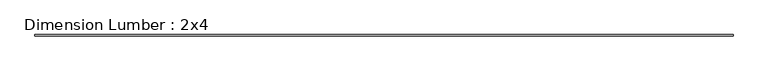
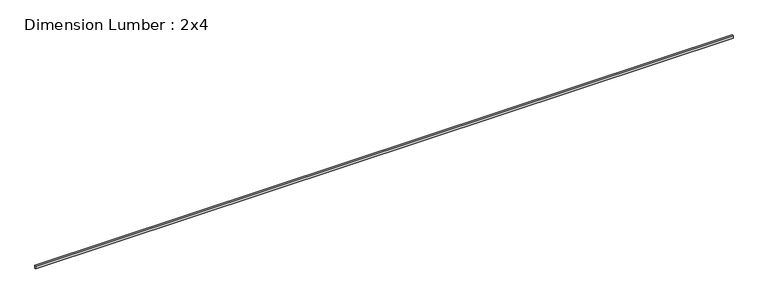
"""IFC4 building model written with IfcOpenShell, lengths in millimetres: beam geometry, Dimension Lumber : 2x4."""

from ifc_helpers import new_model, si_unit, frame, origin, place, context, project, spatial, polyline, outline, extrude, source, transform, mapped, element, save


def dimension_lumber_2x4_053a60d9(model_context):
    return source(origin(), model_context, "Body", "SweptSolid", [
        extrude(outline(polyline([(10988.0413474, 19.05), (10988.0413474, -19.05), (-10988.0413474, -19.05), (-10988.0413474, 19.05), (10988.0413474, 19.05)])), frame((0.0, 0.0, -44.45), z_axis=(0.0, 0.0, 1.0), x_axis=(1.0, 0.0, 0.0)), (0.0, 0.0, 1.0), 88.9),
    ])


if __name__ == "__main__":
    model = new_model("IFC4")
    model_context = context("Model", 3, world=origin())
    ifc_project = project(units=[si_unit("LENGTHUNIT", "METRE", prefix="MILLI")], contexts=[model_context])
    site = spatial("IfcSite", under=ifc_project)
    building = spatial("IfcBuilding", under=site)
    placement = place(None, origin())
    dimension_lumber_2x4_shape = dimension_lumber_2x4_053a60d9(model_context)
    element("IfcBeam", 1, ObjectType="Dimension Lumber : 2x4", at=placement, inside=building, context=model_context, shape_type="MappedRepresentation", body=[
        mapped(dimension_lumber_2x4_shape, transform((0.0, 0.0, 0.0), x_axis=(1.0, 0.0, 0.0), y_axis=(0.0, 1.0, 0.0), z_axis=(0.0, 0.0, 1.0))),
    ])
    save(model, "model.ifc")
